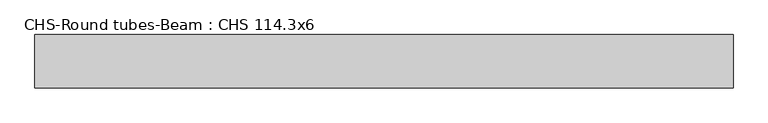
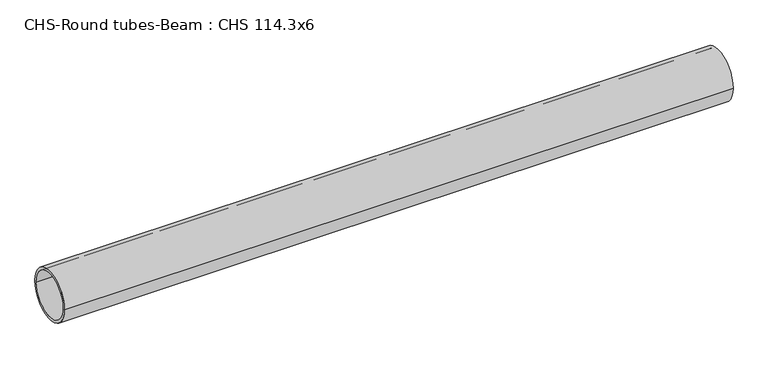
"""IFC4 building model written with IfcOpenShell, lengths in millimetres: beam geometry, CHS-Round tubes-Beam : CHS 114.3x6."""

from ifc_helpers import new_model, si_unit, point, frame, origin, origin_2d, place, context, project, spatial, circle_curve, trimmed, segment, composite_curve, outline, extrude, source, transform, mapped, element, save


def chs_round_tubes_beam_chs_114_3x6_ad1a355a(model_context):
    return source(origin(), model_context, "Body", "SweptSolid", [
        extrude(outline(composite_curve([segment(trimmed(circle_curve(origin_2d(), 57.15), [point((57.15, 0.0))], [point((-57.15, 0.0))], False, "CARTESIAN"), True, "CONTINUOUS"), segment(trimmed(circle_curve(origin_2d(), 57.15), [point((-57.15, 0.0))], [point((57.15, 0.0))], False, "CARTESIAN"), True, "CONTINUOUS")], self_intersect=False), holes=[composite_curve([segment(trimmed(circle_curve(origin_2d(), 51.15), [point((51.15, 0.0))], [point((-51.15, 0.0))], True, "CARTESIAN"), True, "CONTINUOUS"), segment(trimmed(circle_curve(origin_2d(), 51.15), [point((-51.15, 0.0))], [point((51.15, 0.0))], True, "CARTESIAN"), True, "CONTINUOUS")], self_intersect=False)]), frame((-763.0852131, 0.0, 0.0), z_axis=(1.0, 0.0, 0.0), x_axis=(0.0, 1.0, 0.0)), (0.0, 0.0, 1.0), 1498.1512655),
    ])


if __name__ == "__main__":
    model = new_model("IFC4")
    model_context = context("Model", 3, world=origin())
    ifc_project = project(units=[si_unit("LENGTHUNIT", "METRE", prefix="MILLI")], contexts=[model_context])
    site = spatial("IfcSite", under=ifc_project)
    building = spatial("IfcBuilding", under=site)
    placement = place(None, origin())
    chs_round_tubes_beam_chs_114_3x6_shape = chs_round_tubes_beam_chs_114_3x6_ad1a355a(model_context)
    element("IfcBeam", 1, ObjectType="CHS-Round tubes-Beam : CHS 114.3x6", at=placement, inside=building, context=model_context, shape_type="MappedRepresentation", body=[
        mapped(chs_round_tubes_beam_chs_114_3x6_shape, transform((0.0, 0.0, 0.0), x_axis=(1.0, 0.0, 0.0), y_axis=(0.0, 1.0, 0.0), z_axis=(0.0, 0.0, 1.0))),
    ])
    save(model, "model.ifc")
